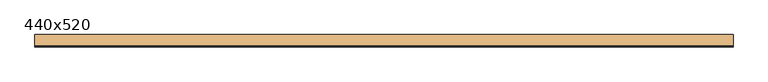
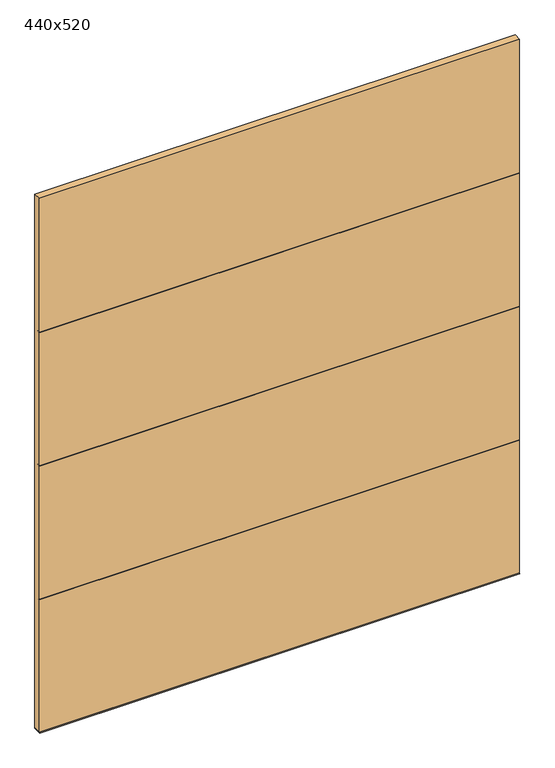
"""IFC4 building model written with IfcOpenShell, lengths in millimetres: door geometry, 440x520."""

from ifc_helpers import new_model, si_unit, frame, origin, place, context, project, spatial, polyline, outline, extrude, source, transform, mapped, element, save


def door_440x520_a8437aed(model_context):
    return source(origin(), model_context, "Body", "SweptSolid", [
        extrude(outline(polyline([(276.35, 6.35), (206.35, 6.35), (206.35, 1295.2375), (241.35, 1300.0), (206.35, 1300.0), (206.35, 2595.2375), (241.35, 2600.0), (206.35, 2600.0), (206.35, 3895.2375), (241.35, 3900.0), (206.35, 3900.0), (206.35, 5200.0), (276.35, 5200.0), (276.35, 6.35)])), frame((-2212.7, 0.0, 0.0), z_axis=(1.0, 0.0, 0.0), x_axis=(0.0, 1.0, 0.0)), (0.0, 0.0, 1.0), 4425.4),
        extrude(outline(polyline([(276.35, 6.35), (276.35, 0.0), (200.0, 0.0), (206.35, 6.35), (276.35, 6.35)])), frame((-2212.7, 0.0, 0.0), z_axis=(1.0, 0.0, 0.0), x_axis=(0.0, 1.0, 0.0)), (0.0, 0.0, 1.0), 4425.4),
    ])


if __name__ == "__main__":
    model = new_model("IFC4")
    model_context = context("Model", 3, world=origin())
    ifc_project = project(units=[si_unit("LENGTHUNIT", "METRE", prefix="MILLI")], contexts=[model_context])
    site = spatial("IfcSite", under=ifc_project)
    building = spatial("IfcBuilding", under=site)
    placement = place(None, origin())
    door_440x520_shape = door_440x520_a8437aed(model_context)
    element("IfcDoor", 1, ObjectType="440x520", at=placement, inside=building, context=model_context, shape_type="MappedRepresentation", body=[
        mapped(door_440x520_shape, transform((0.0, 0.0, 0.0), x_axis=(1.0, 0.0, 0.0), y_axis=(0.0, 1.0, 0.0), z_axis=(0.0, 0.0, 1.0))),
    ])
    save(model, "model.ifc")
